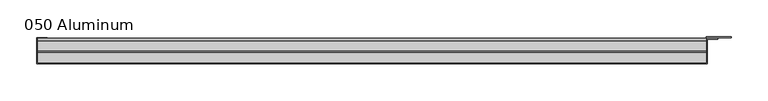
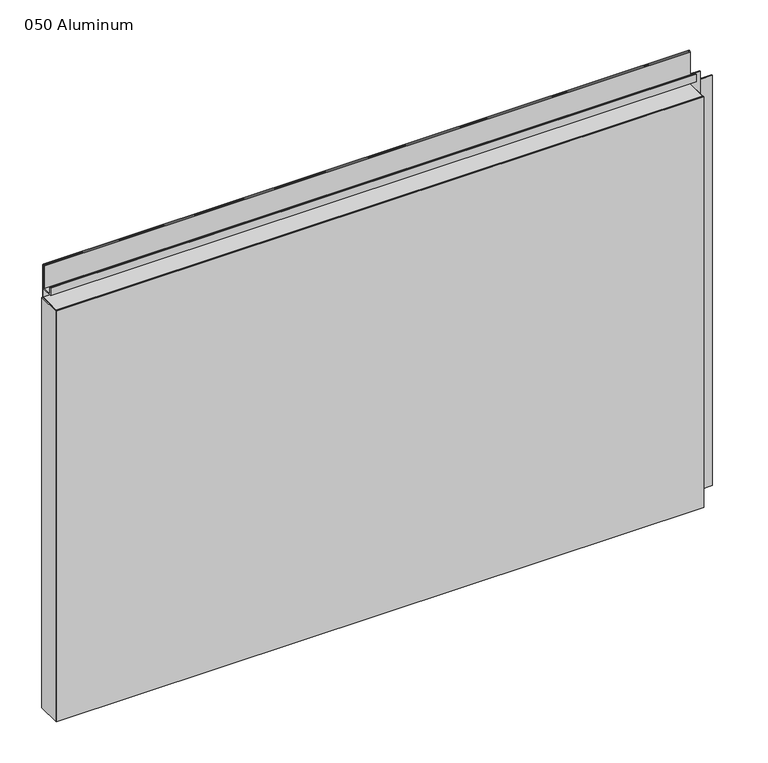
"""IFC4 building model written with IfcOpenShell, lengths in millimetres: plate geometry, 050 Aluminum."""

from ifc_helpers import new_model, si_unit, point, frame, frame_2d, origin, origin_with_axes, place, context, project, spatial, polyline, circle_curve, trimmed, segment, composite_curve, outline, extrude, source, transform, mapped, element, save


def plate_050_aluminum_9e87606b(model_context):
    return source(origin(), model_context, "Body", "SweptSolid", [
        extrude(outline(polyline([(-459.105, -2.5660257), (-459.105, -34.7980001), (-460.3749999, -34.7980001), (-460.3749999, -1.2699999), (-446.2144994, -1.2699999), (-446.2144994, -2.5660257), (-459.105, -2.5660257)])), origin_with_axes(), (0.0, 0.0, 1.0), 608.33),
        extrude(outline(composite_curve([segment(polyline([(-16.6765477, 13.1458337), (-16.6765477, 2.786437), (-17.9464915, 2.786437), (-17.9464915, 13.1323356)]), True, "CONTINUOUS"), segment(trimmed(circle_curve(frame_2d((-19.8514743, 13.124237)), 1.905), [point((-17.9464915, 13.1323356))], [point((-21.7564743, 13.124237))], True, "CARTESIAN"), True, "CONTINUOUS"), segment(polyline([(-21.7564743, 13.124237), (-21.7564743, 0.0), (-34.7980002, 0.0), (-34.7980002, 1.2693678), (-23.0264743, 1.2693678), (-23.0264743, 13.124237)]), True, "CONTINUOUS"), segment(trimmed(circle_curve(frame_2d((-19.8514743, 13.124237)), 3.175), [point((-23.0264743, 13.124237))], [point((-16.6765477, 13.1458337))], False, "CARTESIAN"), True, "CONTINUOUS")], self_intersect=False)), frame((-459.105, 0.0, 0.0), z_axis=(1.0, 0.0, 0.0), x_axis=(0.0, 1.0, 0.0)), (0.0, 0.0, 1.0), 905.51),
        extrude(outline(composite_curve([segment(polyline([(-2.0574743, 656.7932001), (-2.0574743, 608.33), (-34.7980002, 608.33), (-34.7980002, 609.6000001), (-3.3274743, 609.6000001), (-3.3274743, 656.7932001)]), True, "CONTINUOUS"), segment(trimmed(circle_curve(frame_2d((-3.7084742, 656.7932001)), 0.3809999), [point((-3.3274743, 656.7932001))], [point((-4.0894742, 656.7932001))], True, "CARTESIAN"), True, "CONTINUOUS"), segment(polyline([(-4.0894742, 656.7932001), (-4.0894742, 622.3), (-20.4864742, 622.3), (-20.4864742, 633.6538), (-19.2164743, 633.6538), (-19.2164743, 623.57), (-5.3594742, 623.57), (-5.3594742, 656.7932001)]), True, "CONTINUOUS"), segment(trimmed(circle_curve(frame_2d((-3.7084742, 656.7932001)), 1.6509999), [point((-5.3594742, 656.7932001))], [point((-2.0574743, 656.7932001))], False, "CARTESIAN"), True, "CONTINUOUS")], self_intersect=False)), frame((-459.105, 0.0, 0.0), z_axis=(1.0, 0.0, 0.0), x_axis=(0.0, 1.0, 0.0)), (0.0, 0.0, 1.0), 905.51),
        extrude(outline(polyline([(-460.375, -36.068), (-460.375, -34.7980001), (447.675, -34.7980001), (447.675, -36.068), (-460.375, -36.068)])), origin_with_axes(), (0.0, 0.0, 1.0), 609.6),
        extrude(outline(polyline([(447.675, -1.2699999), (447.675, -34.7980002), (446.4050001, -34.7980002), (446.4050001, 0.0), (480.1870856, 0.0), (480.1870856, -1.2699999), (447.675, -1.2699999)])), origin_with_axes(), (0.0, 0.0, 1.0), 608.33),
        extrude(outline(polyline([(446.405, -3.3274743), (446.405, -2.0574743), (462.1529999, -2.0574743), (462.1529999, -3.3274743), (446.405, -3.3274743)])), origin_with_axes(), (0.0, 0.0, 1.0), 622.3),
    ])


if __name__ == "__main__":
    model = new_model("IFC4")
    model_context = context("Model", 3, world=origin())
    ifc_project = project(units=[si_unit("LENGTHUNIT", "METRE", prefix="MILLI")], contexts=[model_context])
    site = spatial("IfcSite", under=ifc_project)
    building = spatial("IfcBuilding", under=site)
    placement = place(None, origin())
    plate_050_aluminum_shape = plate_050_aluminum_9e87606b(model_context)
    element("IfcPlate", 1, ObjectType="050 Aluminum", at=placement, inside=building, context=model_context, shape_type="MappedRepresentation", body=[
        mapped(plate_050_aluminum_shape, transform((0.0, 0.0, 0.0), x_axis=(1.0, 0.0, 0.0), y_axis=(0.0, 1.0, 0.0), z_axis=(0.0, 0.0, 1.0))),
    ])
    save(model, "model.ifc")
